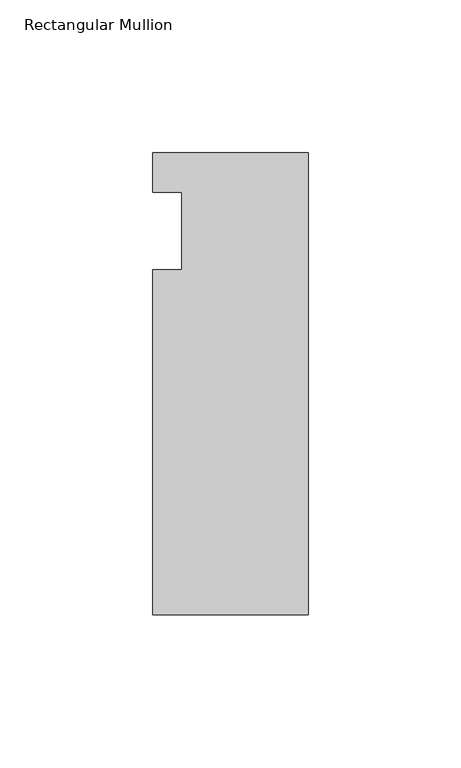
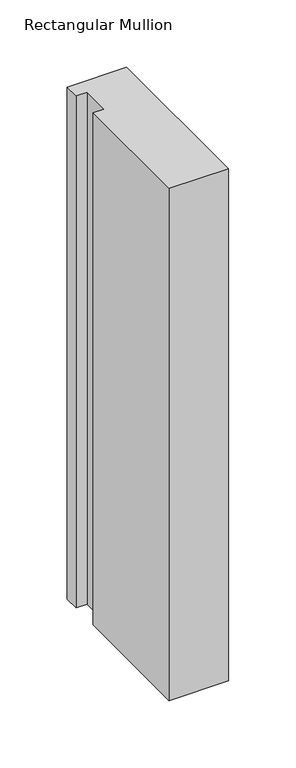
"""IFC4 building model written with IfcOpenShell, lengths in millimetres: member geometry, Rectangular Mullion."""

from ifc_helpers import new_model, si_unit, frame, origin, place, context, project, spatial, polyline, outline, extrude, source, transform, mapped, element, save


def rectangular_mullion_4c4efb80(model_context):
    return source(origin(), model_context, "Body", "SweptSolid", [
        extrude(outline(polyline([(-50.8, 25.5984375), (0.0, 25.5984375), (0.0, -125.6109375), (-50.8, -125.6109375), (-50.8, -12.7), (-41.275, -12.7), (-41.275, 12.7), (-50.8, 12.7), (-50.8, 25.5984375)])), frame((0.0, 0.0, -463.5501993), z_axis=(0.0, 0.0, 1.0), x_axis=(1.0, 0.0, 0.0)), (0.0, 0.0, 1.0), 463.5501993),
    ])


if __name__ == "__main__":
    model = new_model("IFC4")
    model_context = context("Model", 3, world=origin())
    ifc_project = project(units=[si_unit("LENGTHUNIT", "METRE", prefix="MILLI")], contexts=[model_context])
    site = spatial("IfcSite", under=ifc_project)
    building = spatial("IfcBuilding", under=site)
    placement = place(None, origin())
    rectangular_mullion_shape = rectangular_mullion_4c4efb80(model_context)
    element("IfcMember", 1, ObjectType="Rectangular Mullion", at=placement, inside=building, context=model_context, shape_type="MappedRepresentation", body=[
        mapped(rectangular_mullion_shape, transform((0.0, 0.0, 0.0), x_axis=(1.0, 0.0, 0.0), y_axis=(0.0, 1.0, 0.0), z_axis=(0.0, 0.0, 1.0))),
    ])
    save(model, "model.ifc")
